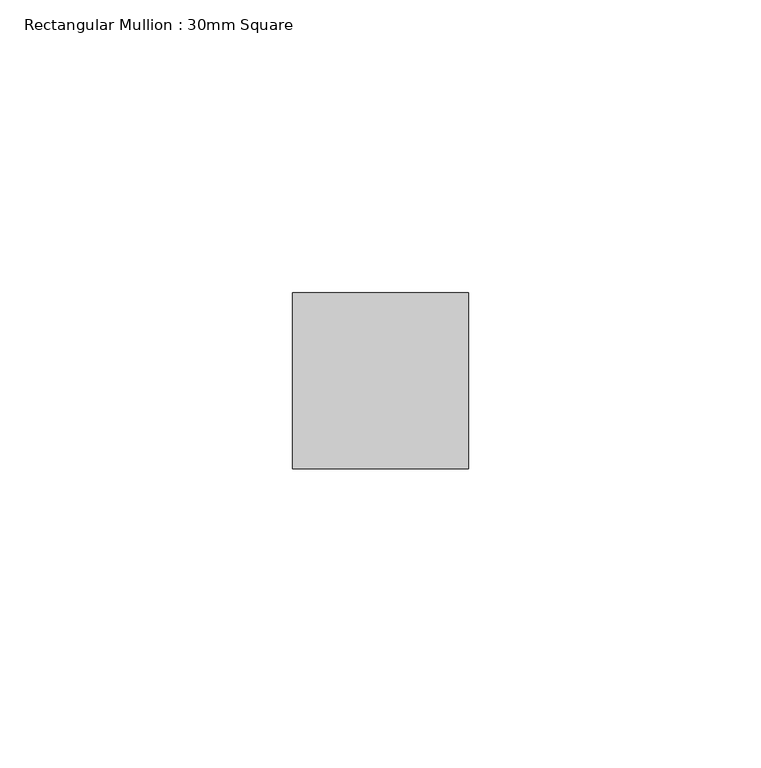
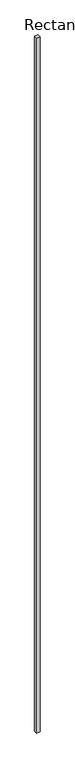
"""IFC4 building model written with IfcOpenShell, lengths in millimetres: member geometry, Rectangular Mullion : 30mm Square."""

from ifc_helpers import new_model, si_unit, frame, origin, place, context, project, spatial, polyline, outline, extrude, source, transform, mapped, element, save


def rectangular_mullion_30mm_square_11dfca97(model_context):
    return source(origin(), model_context, "Body", "SweptSolid", [
        extrude(outline(polyline([(15.0, 15.0), (15.0, -15.0), (-15.0, -15.0), (-15.0, 15.0), (15.0, 15.0)])), frame((0.0, 0.0, -6435.6377752), z_axis=(0.0, 0.0, 1.0), x_axis=(1.0, 0.0, 0.0)), (0.0, 0.0, 1.0), 6435.6377752),
    ])


if __name__ == "__main__":
    model = new_model("IFC4")
    model_context = context("Model", 3, world=origin())
    ifc_project = project(units=[si_unit("LENGTHUNIT", "METRE", prefix="MILLI")], contexts=[model_context])
    site = spatial("IfcSite", under=ifc_project)
    building = spatial("IfcBuilding", under=site)
    placement = place(None, origin())
    rectangular_mullion_30mm_square_shape = rectangular_mullion_30mm_square_11dfca97(model_context)
    element("IfcMember", 1, ObjectType="Rectangular Mullion : 30mm Square", at=placement, inside=building, context=model_context, shape_type="MappedRepresentation", body=[
        mapped(rectangular_mullion_30mm_square_shape, transform((0.0, 0.0, 0.0), x_axis=(1.0, 0.0, 0.0), y_axis=(0.0, 1.0, 0.0), z_axis=(0.0, 0.0, 1.0))),
    ])
    save(model, "model.ifc")
